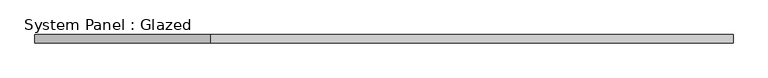
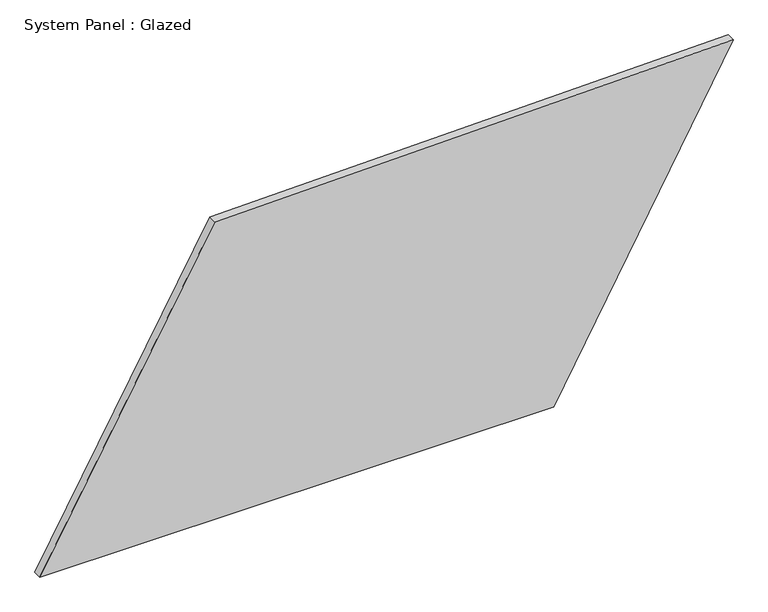
"""IFC4 building model written with IfcOpenShell, lengths in millimetres: plate geometry, System Panel : Glazed."""

from ifc_helpers import new_model, si_unit, frame, origin, place, context, project, spatial, polyline, outline, extrude, source, transform, mapped, element, save


def system_panel_glazed_73bac4ad(model_context):
    return source(origin(), model_context, "Body", "SweptSolid", [
        extrude(outline(polyline([(0.0, -1038.9826971), (0.0, 502.1812053), (976.4982909, 1038.9826971), (942.8902613, -515.0194189), (0.0, -1038.9826971)])), frame((0.0, -49.5, 0.0), z_axis=(0.0, 1.0, 0.0), x_axis=(0.0, 0.0, 1.0)), (0.0, 0.0, 1.0), 25.0),
    ])


if __name__ == "__main__":
    model = new_model("IFC4")
    model_context = context("Model", 3, world=origin())
    ifc_project = project(units=[si_unit("LENGTHUNIT", "METRE", prefix="MILLI")], contexts=[model_context])
    site = spatial("IfcSite", under=ifc_project)
    building = spatial("IfcBuilding", under=site)
    placement = place(None, origin())
    system_panel_glazed_shape = system_panel_glazed_73bac4ad(model_context)
    element("IfcPlate", 1, ObjectType="System Panel : Glazed", at=placement, inside=building, context=model_context, shape_type="MappedRepresentation", body=[
        mapped(system_panel_glazed_shape, transform((0.0, 0.0, 0.0), x_axis=(1.0, 0.0, 0.0), y_axis=(0.0, 1.0, 0.0), z_axis=(0.0, 0.0, 1.0))),
    ])
    save(model, "model.ifc")
